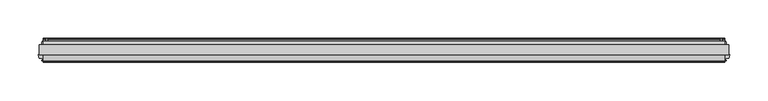
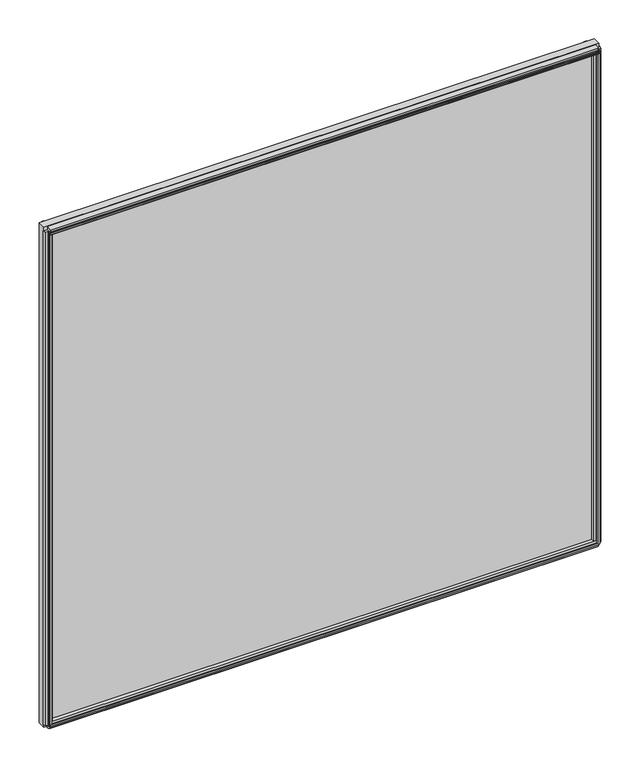
"""IFC4 building model written with IfcOpenShell, lengths in millimetres: plate geometry."""

from ifc_helpers import new_model, si_unit, point, frame, frame_2d, origin, origin_with_axes, place, context, project, spatial, polyline, circle_curve, trimmed, segment, composite_curve, outline, extrude, source, transform, mapped, element, save


def plate_4cabfe30(model_context):
    return source(origin(), model_context, "Body", "SweptSolid", [
        extrude(outline(polyline([(450.8666846, -0.0460375), (450.8666846, -12.8984375), (-450.8666846, -12.8984375), (-450.8666846, -0.0460375), (450.8666846, -0.0460375)])), origin_with_axes(), (0.0, 0.0, 1.0), 858.263776),
        extrude(outline(composite_curve([segment(polyline([(7.9801525, 11.112559), (5.5925525, 11.1124979)]), True, "CONTINUOUS"), segment(trimmed(circle_curve(frame_2d((5.5925727, 10.3250979)), 0.7874), [point((5.5925525, 11.1124979))], [point((4.8051727, 10.3250778))], True, "CARTESIAN"), True, "CONTINUOUS"), segment(polyline([(4.8051727, 10.3250778), (4.8051928, 9.5376778), (6.3799928, 9.5377181), (4.8053625, 3.7841758), (4.8053625, 2.9042818)]), True, "CONTINUOUS"), segment(trimmed(circle_curve(frame_2d((2.3796615, 2.9426237)), 2.426004), [point((4.8053625, 2.9042818))], [point((-0.0460375, 2.9041577))], False, "CARTESIAN"), True, "CONTINUOUS"), segment(polyline([(-0.0460375, 2.9041577), (-0.0460375, 16.9229653)]), True, "CONTINUOUS"), segment(trimmed(circle_curve(frame_2d((11.636134, 24.6114215)), 13.9851882), [point((-0.0460375, 16.9229653))], [point((7.9801525, 11.112559))], True, "CARTESIAN"), True, "CONTINUOUS")], self_intersect=False)), frame((-445.3104346, 0.0, 0.0), z_axis=(1.0, 0.0, 0.0), x_axis=(0.0, 1.0, 0.0)), (0.0, 0.0, 1.0), 890.6208692),
        extrude(outline(polyline([(-20.3942598, 3.946253), (-20.1464993, 2.4003), (-20.9588426, 2.4003), (-21.3566375, 4.7371), (-20.9416217, 7.0739), (-20.1283543, 7.0739), (-20.3886275, 5.5210429), (-17.6691189, 5.9939196), (-17.6691189, 10.3197912), (-12.8984375, 11.5326763), (-12.8984375, -2.0076763), (-17.6782032, -0.7924816), (-17.6782032, 3.4539358), (-20.3942598, 3.946253)])), frame((-445.3104346, 0.0, 0.0), z_axis=(1.0, 0.0, 0.0), x_axis=(0.0, 1.0, 0.0)), (0.0, 0.0, 1.0), 890.6208692),
        extrude(outline(polyline([(-12.8984375, 858.2978933), (-12.8984375, 844.4808434), (-17.6736375, 845.4797585), (-18.7846441, 849.6260917), (-21.5347434, 849.3888291), (-20.888384, 847.9579636), (-21.6734885, 847.7475955), (-22.6708491, 849.8995869), (-22.8831052, 852.2619464), (-22.0980007, 852.4723146), (-21.9423316, 850.9099691), (-19.4420445, 852.0795433), (-20.5530511, 856.2258765), (-12.8984375, 858.2978933)])), frame((-445.3104346, 0.0, 0.0), z_axis=(1.0, 0.0, 0.0), x_axis=(0.0, 1.0, 0.0)), (0.0, 0.0, 1.0), 890.6208692),
        extrude(outline(polyline([(4.8053625, 853.0451807), (4.8053625, 848.7525807), (7.5231625, 848.2699807), (7.2691625, 849.8193807), (8.0819625, 849.8193807), (8.4883625, 847.4825807), (8.0819625, 845.1457807), (7.2691625, 845.1457807), (7.5231625, 846.6951807), (4.8053625, 846.2125807), (4.8053625, 841.9199807), (-0.0460375, 840.686574), (-0.0460375, 854.2785875), (4.8053625, 853.0451807)])), frame((-445.3104346, 0.0, 0.0), z_axis=(1.0, 0.0, 0.0), x_axis=(0.0, 1.0, 0.0)), (0.0, 0.0, 1.0), 890.6208692),
        extrude(outline(polyline([(444.5132376, -20.2926598), (444.0209204, -17.5766032), (439.7426454, -17.5766032), (438.5532812, -12.8984375), (452.054888, -12.8984375), (450.8678334, -17.5675189), (446.5609042, -17.5675189), (446.0880275, -20.2870275), (447.6408846, -20.0267543), (447.6408846, -20.8400217), (445.3040846, -21.2550375), (442.9672846, -20.8572426), (442.9672846, -20.0448993), (444.5132376, -20.2926598)])), frame((0.0, 0.0, 5.55625), z_axis=(0.0, 0.0, 1.0), x_axis=(1.0, 0.0, 0.0)), (0.0, 0.0, 1.0), 847.151276),
        extrude(outline(polyline([(441.8716275, 7.6219525), (442.3471737, 4.8870913), (446.6553366, 4.8870913), (447.9095219, -0.0460375), (434.2658473, -0.0460375), (435.5262334, 4.9114812), (439.8045119, 4.9114812), (440.2968376, 7.6275848), (438.7494461, 7.3791279), (438.7494461, 8.1919227), (441.0876846, 8.5899625), (443.4230162, 8.1752075), (443.4201092, 7.3624127), (441.8716275, 7.6219525)])), frame((0.0, 0.0, 5.55625), z_axis=(0.0, 0.0, 1.0), x_axis=(1.0, 0.0, 0.0)), (0.0, 0.0, 1.0), 847.151276),
        extrude(outline(polyline([(-446.0880275, -20.2870275), (-446.5635737, -17.5521663), (-450.8717366, -17.5521663), (-452.0522646, -12.9087562), (-438.5559046, -12.9087562), (-439.7426334, -17.5765562), (-444.0209119, -17.5765562), (-444.5132376, -20.2926598), (-442.9658461, -20.0442029), (-442.9658461, -20.8569977), (-445.3040846, -21.2550375), (-447.6394162, -20.8402825), (-447.6365092, -20.0274877), (-446.0880275, -20.2870275)])), frame((0.0, 0.0, 5.55625), z_axis=(0.0, 0.0, 1.0), x_axis=(1.0, 0.0, 0.0)), (0.0, 0.0, 1.0), 847.151276),
        extrude(outline(polyline([(-440.3037417, 7.6219525), (-439.8281955, 4.8870913), (-435.5200326, 4.8870913), (-434.2658473, -0.0460375), (-447.9095219, -0.0460375), (-446.6491358, 4.9114812), (-442.3708574, 4.9114812), (-441.8785316, 7.6275848), (-443.4259232, 7.3791279), (-443.4259232, 8.1919227), (-441.0876846, 8.5899625), (-438.7523531, 8.1752075), (-438.7552601, 7.3624127), (-440.3037417, 7.6219525)])), frame((0.0, 0.0, 5.55625), z_axis=(0.0, 0.0, 1.0), x_axis=(1.0, 0.0, 0.0)), (0.0, 0.0, 1.0), 847.151276),
    ])


if __name__ == "__main__":
    model = new_model("IFC4")
    model_context = context("Model", 3, world=origin())
    ifc_project = project(units=[si_unit("LENGTHUNIT", "METRE", prefix="MILLI")], contexts=[model_context])
    site = spatial("IfcSite", under=ifc_project)
    building = spatial("IfcBuilding", under=site)
    placement = place(None, origin())
    plate_shape = plate_4cabfe30(model_context)
    element("IfcPlate", 1, at=placement, inside=building, context=model_context, shape_type="MappedRepresentation", body=[
        mapped(plate_shape, transform((0.0, 0.0, 0.0), x_axis=(1.0, 0.0, 0.0), y_axis=(0.0, 1.0, 0.0), z_axis=(0.0, 0.0, 1.0))),
    ])
    save(model, "model.ifc")
